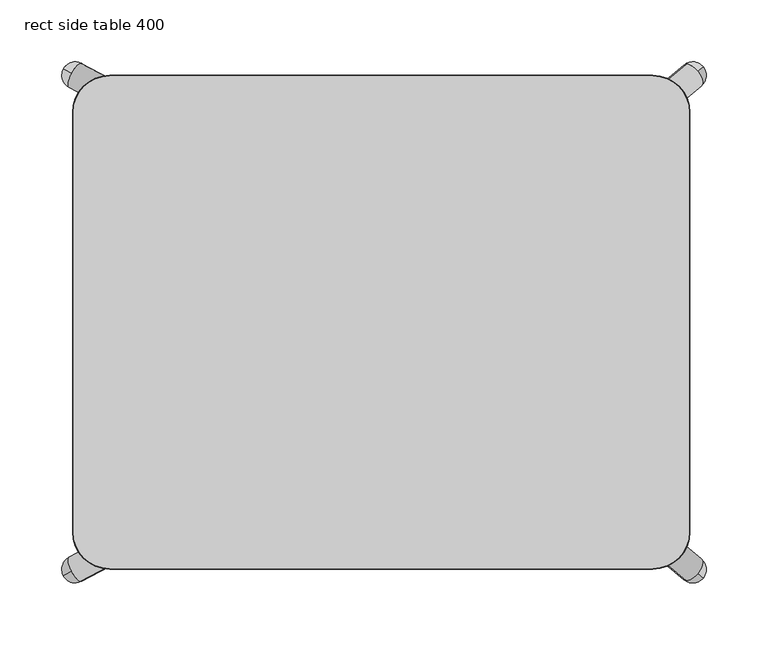
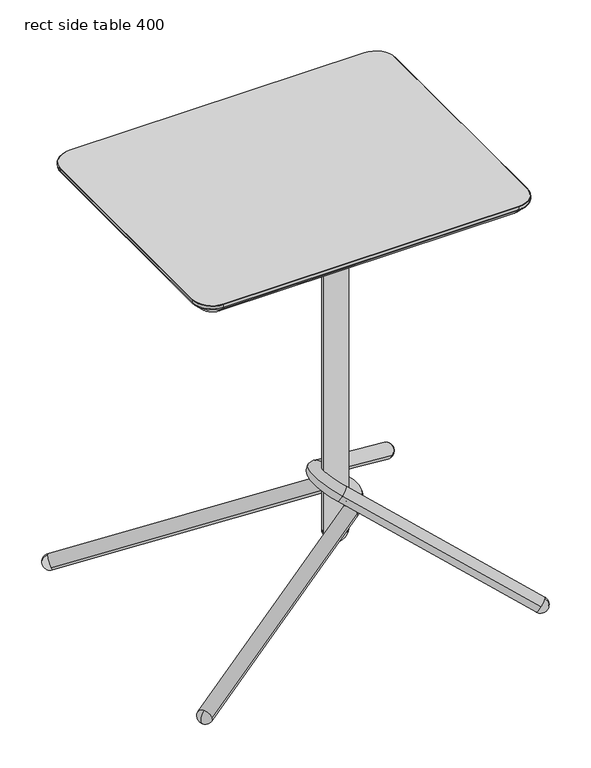
"""IFC4 building model written with IfcOpenShell, lengths in millimetres: furniture geometry, rect side table 400."""

from ifc_helpers import new_model, si_unit, point, frame, origin, place, context, project, spatial, polyline, circle_curve, ellipse_curve, trimmed, source, transform, mapped, element, save
from ifc_brep_helpers import plane_surface, cylinder_surface, revolved_surface, advanced_brep


def rect_side_table_400_2f317015(model_context):
    return source(origin(), model_context, "Body", "AdvancedBrep", [
        advanced_brep(
        [(120.000041, 49.9999974, 631.9999893), (-39.999964, 49.9999974, 631.9999893), (-49.999964, 39.9999974, 631.9999893), (-49.999964, -40.0000034, 631.9999893), (-39.999964, -50.0000034, 631.9999893), (120.000041, -50.0000034, 631.9999893), (130.000041, -40.0000034, 631.9999893), (130.000041, 39.9999974, 631.9999893), (-47.4693331, 40.0000112, 631.9999893), (-32.5306167, 40.0000112, 631.9999893), (-47.4693331, -40.0000112, 631.9999893), (-32.5306167, -40.0000112, 631.9999893), (127.46941, 40.0000112, 631.9999893), (112.5306936, 40.0000112, 631.9999893), (127.46941, -40.0000112, 631.9999893), (112.5306936, -40.0000112, 631.9999893), (47.4693967, 40.0000112, 631.9999893), (32.5306803, 40.0000112, 631.9999893), (47.4693967, -40.0000112, 631.9999893), (32.5306803, -40.0000112, 631.9999893), (120.000041, 49.9999974, 627.0000038), (130.000041, 39.9999974, 627.0000038), (130.000041, -40.0000034, 627.0000038), (120.000041, -50.0000034, 627.0000038), (-39.999964, -50.0000034, 627.0000038), (-49.999964, -40.0000034, 627.0000038), (-49.999964, 39.9999974, 627.0000038), (-39.999964, 49.9999974, 627.0000038), (-47.4693331, 40.0000112, 627.0000038), (-32.5306167, 40.0000112, 627.0000038), (-47.4693331, -40.0000112, 627.0000038), (-32.5306167, -40.0000112, 627.0000038), (127.46941, 40.0000112, 627.0000038), (112.5306936, 40.0000112, 627.0000038), (127.46941, -40.0000112, 627.0000038), (112.5306936, -40.0000112, 627.0000038), (47.4693967, 40.0000112, 627.0000038), (32.5306803, 40.0000112, 627.0000038), (47.4693967, -40.0000112, 627.0000038), (32.5306803, -40.0000112, 627.0000038), (78.7484697, 0.0, 627.0000038), (43.7484682, 0.0, 627.0000038), (78.7484697, 0.0, 76.9999996), (43.7484682, 0.0, 76.9999996), (61.2484689, 0.0, 59.4999989)],
        [
            (0, 1),
            (1, 2, circle_curve(frame((-39.999964, 39.9999974, 631.9999893), z_axis=(0.0, 0.0, 1.0), x_axis=(1.0, 0.0, 0.0)), 10.0)),
            (2, 3),
            (3, 4, circle_curve(frame((-39.999964, -40.0000034, 631.9999893), z_axis=(0.0, 0.0, 1.0), x_axis=(1.0, 0.0, 0.0)), 10.0)),
            (4, 5),
            (5, 6, circle_curve(frame((120.000041, -40.0000034, 631.9999893), z_axis=(0.0, 0.0, 1.0), x_axis=(1.0, 0.0, 0.0)), 10.0)),
            (6, 7),
            (7, 0, circle_curve(frame((120.000041, 39.9999974, 631.9999893), z_axis=(0.0, 0.0, 1.0), x_axis=(1.0, 0.0, 0.0)), 10.0)),
            (8, 9, circle_curve(frame((-39.9999749, 40.0000112, 631.9999893), z_axis=(0.0, 0.0, -1.0), x_axis=(1.0, 0.0, 0.0)), 7.4693582)),
            (9, 8, circle_curve(frame((-39.9999749, 40.0000112, 631.9999893), z_axis=(0.0, 0.0, -1.0), x_axis=(1.0, 0.0, 0.0)), 7.4693582)),
            (10, 11, circle_curve(frame((-39.9999749, -40.0000112, 631.9999893), z_axis=(0.0, 0.0, -1.0), x_axis=(1.0, 0.0, 0.0)), 7.4693582)),
            (11, 10, circle_curve(frame((-39.9999749, -40.0000112, 631.9999893), z_axis=(0.0, 0.0, -1.0), x_axis=(1.0, 0.0, 0.0)), 7.4693582)),
            (12, 13, circle_curve(frame((120.0000518, 40.0000112, 631.9999893), z_axis=(0.0, 0.0, -1.0), x_axis=(-1.0, 0.0, 0.0)), 7.4693582)),
            (13, 12, circle_curve(frame((120.0000518, 40.0000112, 631.9999893), z_axis=(0.0, 0.0, -1.0), x_axis=(-1.0, 0.0, 0.0)), 7.4693582)),
            (14, 15, circle_curve(frame((120.0000518, -40.0000112, 631.9999893), z_axis=(0.0, 0.0, -1.0), x_axis=(-1.0, 0.0, 0.0)), 7.4693582)),
            (15, 14, circle_curve(frame((120.0000518, -40.0000112, 631.9999893), z_axis=(0.0, 0.0, -1.0), x_axis=(-1.0, 0.0, 0.0)), 7.4693582)),
            (16, 17, circle_curve(frame((40.0000385, 40.0000112, 631.9999893), z_axis=(0.0, 0.0, -1.0), x_axis=(-1.0, 0.0, 0.0)), 7.4693582)),
            (17, 16, circle_curve(frame((40.0000385, 40.0000112, 631.9999893), z_axis=(0.0, 0.0, -1.0), x_axis=(-1.0, 0.0, 0.0)), 7.4693582)),
            (18, 19, circle_curve(frame((40.0000385, -40.0000112, 631.9999893), z_axis=(0.0, 0.0, -1.0), x_axis=(-1.0, 0.0, 0.0)), 7.4693582)),
            (19, 18, circle_curve(frame((40.0000385, -40.0000112, 631.9999893), z_axis=(0.0, 0.0, -1.0), x_axis=(-1.0, 0.0, 0.0)), 7.4693582)),
            (20, 21, circle_curve(frame((120.000041, 39.9999974, 627.0000038), z_axis=(0.0, 0.0, -1.0), x_axis=(1.0, 0.0, 0.0)), 10.0)),
            (21, 22),
            (22, 23, circle_curve(frame((120.000041, -40.0000034, 627.0000038), z_axis=(0.0, 0.0, -1.0), x_axis=(1.0, 0.0, 0.0)), 10.0)),
            (23, 24),
            (24, 25, circle_curve(frame((-39.999964, -40.0000034, 627.0000038), z_axis=(0.0, 0.0, -1.0), x_axis=(1.0, 0.0, 0.0)), 10.0)),
            (25, 26),
            (26, 27, circle_curve(frame((-39.999964, 39.9999974, 627.0000038), z_axis=(0.0, 0.0, -1.0), x_axis=(1.0, 0.0, 0.0)), 10.0)),
            (27, 20),
            (28, 29, circle_curve(frame((-39.9999749, 40.0000112, 627.0000038), z_axis=(0.0, 0.0, 1.0), x_axis=(1.0, 0.0, 0.0)), 7.4693582)),
            (29, 28, circle_curve(frame((-39.9999749, 40.0000112, 627.0000038), z_axis=(0.0, 0.0, 1.0), x_axis=(1.0, 0.0, 0.0)), 7.4693582)),
            (30, 31, circle_curve(frame((-39.9999749, -40.0000112, 627.0000038), z_axis=(0.0, 0.0, 1.0), x_axis=(1.0, 0.0, 0.0)), 7.4693582)),
            (31, 30, circle_curve(frame((-39.9999749, -40.0000112, 627.0000038), z_axis=(0.0, 0.0, 1.0), x_axis=(1.0, 0.0, 0.0)), 7.4693582)),
            (32, 33, circle_curve(frame((120.0000518, 40.0000112, 627.0000038), z_axis=(0.0, 0.0, 1.0), x_axis=(-1.0, 0.0, 0.0)), 7.4693582)),
            (33, 32, circle_curve(frame((120.0000518, 40.0000112, 627.0000038), z_axis=(0.0, 0.0, 1.0), x_axis=(-1.0, 0.0, 0.0)), 7.4693582)),
            (34, 35, circle_curve(frame((120.0000518, -40.0000112, 627.0000038), z_axis=(0.0, 0.0, 1.0), x_axis=(-1.0, 0.0, 0.0)), 7.4693582)),
            (35, 34, circle_curve(frame((120.0000518, -40.0000112, 627.0000038), z_axis=(0.0, 0.0, 1.0), x_axis=(-1.0, 0.0, 0.0)), 7.4693582)),
            (36, 37, circle_curve(frame((40.0000385, 40.0000112, 627.0000038), z_axis=(0.0, 0.0, 1.0), x_axis=(-1.0, 0.0, 0.0)), 7.4693582)),
            (37, 36, circle_curve(frame((40.0000385, 40.0000112, 627.0000038), z_axis=(0.0, 0.0, 1.0), x_axis=(-1.0, 0.0, 0.0)), 7.4693582)),
            (38, 39, circle_curve(frame((40.0000385, -40.0000112, 627.0000038), z_axis=(0.0, 0.0, 1.0), x_axis=(-1.0, 0.0, 0.0)), 7.4693582)),
            (39, 38, circle_curve(frame((40.0000385, -40.0000112, 627.0000038), z_axis=(0.0, 0.0, 1.0), x_axis=(-1.0, 0.0, 0.0)), 7.4693582)),
            (40, 41, circle_curve(frame((61.2484689, 0.0, 627.0000038), z_axis=(0.0, 0.0, 1.0), x_axis=(-1.0, 0.0, 0.0)), 17.5000007)),
            (41, 40, circle_curve(frame((61.2484689, 0.0, 627.0000038), z_axis=(0.0, 0.0, 1.0), x_axis=(-1.0, 0.0, 0.0)), 17.5000007)),
            (0, 20),
            (27, 1),
            (26, 2),
            (25, 3),
            (24, 4),
            (23, 5),
            (22, 6),
            (21, 7),
            (8, 28),
            (29, 9),
            (10, 30),
            (31, 11),
            (12, 32),
            (33, 13),
            (14, 34),
            (35, 15),
            (16, 36),
            (37, 17),
            (18, 38),
            (39, 19),
            (42, 43, circle_curve(frame((61.2484689, 0.0, 76.9999996), z_axis=(0.0, 0.0, 1.0), x_axis=(-1.0, 0.0, 0.0)), 17.5000007)),
            (43, 41),
            (40, 42),
            (43, 42, circle_curve(frame((61.2484689, 0.0, 76.9999996), z_axis=(0.0, 0.0, 1.0), x_axis=(-1.0, 0.0, 0.0)), 17.5000007)),
            (42, 44, circle_curve(frame((61.2484689, 0.0, 76.9999996), z_axis=(0.0, 1.0, 0.0), x_axis=(-1.0, 0.0, 0.0)), 17.5000007)),
            (44, 43, circle_curve(frame((61.2484689, 0.0, 76.9999996), z_axis=(0.0, 1.0, 0.0), x_axis=(1.0, 0.0, 0.0)), 17.5000007)),
        ],
        [
            plane_surface(frame((-39.9999628, 49.9999974, 631.9999893), z_axis=(0.0, 0.0, 1.0), x_axis=(-1.0, 0.0, 0.0))),
            plane_surface(frame((-39.9999628, 49.9999974, 627.0000038), z_axis=(0.0, 0.0, -1.0), x_axis=(1.0, 0.0, 0.0))),
            plane_surface(frame((120.000041, 49.9999974, 631.9999893), z_axis=(0.0, 1.0, 0.0), x_axis=(0.0, 0.0, -1.0))),
            cylinder_surface(frame((-39.999964, 39.9999974, 627.0000038), z_axis=(0.0, 0.0, 1.0), x_axis=(1.0, 0.0, 0.0)), 10.0),
            plane_surface(frame((-49.999964, 39.9999974, 631.9999893), z_axis=(-1.0, 0.0, 0.0), x_axis=(0.0, 0.0, -1.0))),
            cylinder_surface(frame((-39.999964, -40.0000034, 627.0000038), z_axis=(0.0, 0.0, 1.0), x_axis=(1.0, 0.0, 0.0)), 10.0),
            plane_surface(frame((-39.999964, -50.0000034, 631.9999893), z_axis=(0.0, -1.0, 0.0), x_axis=(0.0, 0.0, -1.0))),
            cylinder_surface(frame((120.000041, -40.0000034, 627.0000038), z_axis=(0.0, 0.0, 1.0), x_axis=(1.0, 0.0, 0.0)), 10.0),
            plane_surface(frame((130.000041, -40.0000034, 631.9999893), z_axis=(1.0, 0.0, 0.0), x_axis=(0.0, 0.0, -1.0))),
            cylinder_surface(frame((120.000041, 39.9999974, 627.0000038), z_axis=(0.0, 0.0, 1.0), x_axis=(1.0, 0.0, 0.0)), 10.0),
            revolved_surface(polyline([(-32.530616699999996, 40.0000112, 627.0000038), (-32.530616699999996, 40.0000112, 631.9999893)]), (-39.9999749, 40.0000112, 0.0), (0.0, 0.0, -1.0)),
            revolved_surface(polyline([(-32.530616699999996, -40.0000112, 627.0000038), (-32.530616699999996, -40.0000112, 631.9999893)]), (-39.9999749, -40.0000112, 0.0), (0.0, 0.0, -1.0)),
            revolved_surface(polyline([(112.53069359999999, 40.0000112, 627.0000038), (112.53069359999999, 40.0000112, 631.9999893)]), (120.0000518, 40.0000112, 0.0), (0.0, 0.0, -1.0)),
            revolved_surface(polyline([(112.53069359999999, -40.0000112, 627.0000038), (112.53069359999999, -40.0000112, 631.9999893)]), (120.0000518, -40.0000112, 0.0), (0.0, 0.0, -1.0)),
            revolved_surface(polyline([(32.5306803, 40.0000112, 627.0000038), (32.5306803, 40.0000112, 631.9999893)]), (40.0000385, 40.0000112, 0.0), (0.0, 0.0, -1.0)),
            revolved_surface(polyline([(32.5306803, -40.0000112, 627.0000038), (32.5306803, -40.0000112, 631.9999893)]), (40.0000385, -40.0000112, 0.0), (0.0, 0.0, -1.0)),
            cylinder_surface(frame((61.2484689, 0.0, 68.2499992), z_axis=(0.0, 0.0, -1.0), x_axis=(-1.0, 0.0, 0.0)), 17.5000007),
            revolved_surface(trimmed(ellipse_curve(frame((61.2484689, 0.0, 76.9999996), z_axis=(0.0, -1.0, 0.0), x_axis=(1.0, 0.0, 0.0)), 17.5000007, 17.5000007), [point((43.7484682, 0.0, 76.9999996))], [point((61.2484689, 0.0, 59.4999989))], True, "CARTESIAN"), (61.2484689, 0.0, 68.2499992), (0.0, 0.0, -1.0)),
        ],
        [
            (0, [[1, 2, 3, 4, 5, 6, 7, 8], [9, 10], [11, 12], [13, 14], [15, 16], [17, 18], [19, 20]]),
            (1, [[21, 22, 23, 24, 25, 26, 27, 28], [29, 30], [31, 32], [33, 34], [35, 36], [37, 38], [39, 40], [41, 42]]),
            (2, [[-1, 43, -28, 44]]),
            (3, [[-2, -44, -27, 45]]),
            (4, [[-3, -45, -26, 46]]),
            (5, [[-4, -46, -25, 47]]),
            (6, [[-5, -47, -24, 48]]),
            (7, [[-6, -48, -23, 49]]),
            (8, [[-7, -49, -22, 50]]),
            (9, [[-8, -50, -21, -43]]),
            (10, [[-9, 51, -30, 52]]),
            (10, [[-10, -52, -29, -51]]),
            (11, [[-11, 53, -32, 54]]),
            (11, [[-12, -54, -31, -53]]),
            (12, [[-13, 55, -34, 56]]),
            (12, [[-14, -56, -33, -55]]),
            (13, [[-15, 57, -36, 58]]),
            (13, [[-16, -58, -35, -57]]),
            (14, [[-17, 59, -38, 60]]),
            (14, [[-18, -60, -37, -59]]),
            (15, [[-19, 61, -40, 62]]),
            (15, [[-20, -62, -39, -61]]),
            (16, [[63, 64, -41, 65]]),
            (16, [[66, -65, -42, -64]]),
            (17, [[-63, 67, 68]]),
            (17, [[-66, -68, -67]]),
        ],
    ),
        advanced_brep(
        [(58.7468351, 25.9816516, 122.5540056), (67.9302472, 45.69187, 125.8964943), (-243.1827803, 209.8487928, 12.6606128), (-250.7555988, 201.5666496, 21.4602207), (-252.3661924, 190.1385743, 9.3181241), (-244.7933739, 198.4207175, 0.5185162), (58.7468351, -25.9816516, 122.5540056), (67.9302472, -45.69187, 125.8964943), (-252.3661924, -190.1385743, 9.3181241), (-250.7555988, -201.5666496, 21.4602207), (-243.1827803, -209.8487928, 12.6606128), (-244.7933739, -198.4207175, 0.5185162), (-257.0352597, 204.8800751, 7.6187226), (-257.0352597, -204.8800751, 7.6187226)],
        [
            (0, 1, circle_curve(frame((63.3385411, 35.8367608, 124.22525), z_axis=(-0.8418884918336852, 0.4442174127144383, -0.3064223515987259), x_axis=(0.41742782475236617, 0.8959190199126763, 0.15193130316434977)), 11.0)),
            (1, 2),
            (2, 3, circle_curve(frame((-247.7744863, 199.9936836, 10.9893685), z_axis=(0.8418884918336852, -0.4442174127144383, 0.3064223515987259), x_axis=(0.41742782475236617, 0.8959190199126763, 0.15193130316434977)), 11.0)),
            (3, 4, circle_curve(frame((-247.7744863, 199.9936836, 10.9893685), z_axis=(0.8418884918336852, -0.4442174127144383, 0.3064223515987259), x_axis=(0.41742782475236617, 0.8959190199126763, 0.15193130316434977)), 11.0)),
            (4, 0),
            (1, 0, circle_curve(frame((63.3385411, 35.8367608, 124.22525), z_axis=(-0.8418884918336852, 0.4442174127144383, -0.3064223515987259), x_axis=(0.41742782475236617, 0.8959190199126763, 0.15193130316434977)), 11.0)),
            (4, 5, circle_curve(frame((-247.7744863, 199.9936836, 10.9893685), z_axis=(0.8418884918336852, -0.4442174127144383, 0.3064223515987259), x_axis=(0.41742782475236617, 0.8959190199126763, 0.15193130316434977)), 11.0)),
            (5, 2, circle_curve(frame((-247.7744863, 199.9936836, 10.9893685), z_axis=(0.8418884918336852, -0.4442174127144383, 0.3064223515987259), x_axis=(0.41742782475236617, 0.8959190199126763, 0.15193130316434977)), 11.0)),
            (0, 6, circle_curve(frame((46.6414281, 0.0, 118.1479978), z_axis=(0.3420201433256684, 0.0, -0.9396926207859085), x_axis=(0.4174278247523651, 0.8959190199126768, 0.1519313031643494)), 29.0)),
            (6, 7, circle_curve(frame((63.3385411, -35.8367608, 124.22525), z_axis=(0.8418884918336889, 0.4442174127144305, 0.3064223515987277), x_axis=(0.41742782475235873, -0.8959190199126802, 0.15193130316434714)), 11.0)),
            (7, 1, circle_curve(frame((46.6414281, 0.0, 118.1479978), z_axis=(-0.3420201433256684, 0.0, 0.9396926207859085), x_axis=(0.4174278247523651, 0.8959190199126768, 0.1519313031643494)), 51.0)),
            (7, 6, circle_curve(frame((63.3385411, -35.8367608, 124.22525), z_axis=(0.841888491833687, 0.44421741271443393, 0.30642235159872705), x_axis=(0.417427824752362, -0.8959190199126783, 0.1519313031643483)), 11.0)),
            (6, 8),
            (8, 9, circle_curve(frame((-247.7744863, -199.9936836, 10.9893685), z_axis=(0.8418884918336853, 0.44421741271443815, 0.3064223515987258), x_axis=(0.41742782475236606, -0.8959190199126764, 0.15193130316434972)), 11.0)),
            (9, 10, circle_curve(frame((-247.7744863, -199.9936836, 10.9893685), z_axis=(0.8418884918336853, 0.44421741271443815, 0.3064223515987258), x_axis=(0.41742782475236606, -0.8959190199126764, 0.15193130316434972)), 11.0)),
            (10, 7),
            (10, 11, circle_curve(frame((-247.7744863, -199.9936836, 10.9893685), z_axis=(0.8418884918336853, 0.44421741271443815, 0.3064223515987258), x_axis=(0.41742782475236606, -0.8959190199126764, 0.15193130316434972)), 11.0)),
            (11, 8, circle_curve(frame((-247.7744863, -199.9936836, 10.9893685), z_axis=(0.8418884918336853, 0.44421741271443815, 0.3064223515987258), x_axis=(0.41742782475236606, -0.8959190199126764, 0.15193130316434972)), 11.0)),
            (12, 5, circle_curve(frame((-247.7744863, 199.9936836, 10.9893685), z_axis=(-0.4666660776258468, -0.8844335882322126, 0.0), x_axis=(0.8418884918336704, -0.44421741271455667, 0.3064223515985954)), 11.0)),
            (3, 12, circle_curve(frame((-247.7744863, 199.9936836, 10.9893685), z_axis=(-0.46666607762565254, -0.8844335882323152, 0.0), x_axis=(0.8418884918337015, -0.4442174127143134, 0.3064223515988623)), 11.0)),
            (11, 13, circle_curve(frame((-247.7744863, -199.9936836, 10.9893685), z_axis=(-0.4666660776258468, 0.8844335882322126, 0.0), x_axis=(0.8418884918336704, 0.44421741271455667, 0.3064223515985954)), 11.0)),
            (13, 9, circle_curve(frame((-247.7744863, -199.9936836, 10.9893685), z_axis=(-0.46666607762565254, 0.8844335882323152, 0.0), x_axis=(0.8418884918337015, 0.4442174127143134, 0.3064223515988623)), 11.0)),
        ],
        [
            cylinder_surface(frame((-277.9675281, 215.9248609, 0.0), z_axis=(-0.8418884918336854, 0.44421741271443843, -0.30642235159872594), x_axis=(0.41742782475236617, 0.8959190199126763, 0.15193130316434977)), 11.0),
            revolved_surface(trimmed(ellipse_curve(frame((63.3385411, 35.8367608, 124.22525), z_axis=(-0.8418884918336861, 0.444217412714437, -0.3064223515987256), x_axis=(0.41742782475236484, 0.8959190199126769, 0.15193130316434933)), 11.0, 11.0), [point((58.7468351, 25.9816516, 122.5540056))], [point((67.9302472, 45.69187, 125.8964943))], True, "CARTESIAN"), (46.6414281, 0.0, 118.1479978), (0.3420201433256684, 0.0, -0.9396926207859085)),
            revolved_surface(trimmed(ellipse_curve(frame((63.3385411, 35.8367608, 124.22525), z_axis=(-0.8418884918336861, 0.444217412714437, -0.3064223515987256), x_axis=(0.41742782475236484, 0.8959190199126769, 0.15193130316434933)), 11.0, 11.0), [point((67.9302472, 45.69187, 125.8964943))], [point((58.7468351, 25.9816516, 122.5540056))], True, "CARTESIAN"), (46.6414281, 0.0, 118.1479978), (0.3420201433256684, 0.0, -0.9396926207859085)),
            cylinder_surface(frame((63.3385411, -35.8367608, 124.22525), z_axis=(0.8418884918336855, 0.44421741271443826, 0.30642235159872583), x_axis=(0.41742782475236606, -0.8959190199126764, 0.15193130316434972)), 11.0),
            revolved_surface(trimmed(ellipse_curve(frame((-247.7744863, 199.9936836, 10.9893685), z_axis=(0.46666607762565254, 0.8844335882323152, 0.0), x_axis=(0.8418884918337015, -0.4442174127143134, 0.3064223515988623)), 11.0, 11.0), [point((-257.0352597, 204.8800751, 7.6187226))], [point((-250.7555988, 201.5666496, 21.4602207))], True, "CARTESIAN"), (-251.664601, 202.0462792, 9.5734825), (0.841888491833686, -0.44421741271443504, 0.3064223515987288)),
            revolved_surface(trimmed(ellipse_curve(frame((-247.7744863, 199.9936836, 10.9893685), z_axis=(0.4666660776256499, 0.8844335882323165, 0.0), x_axis=(0.8418884918337031, -0.4442174127143106, 0.3064223515988623)), 11.0, 11.0), [point((-257.0352597, 204.8800751, 7.6187226))], [point((-250.7555988, 201.5666496, 21.4602207))], True, "CARTESIAN"), (-251.664601, 202.0462792, 9.5734825), (0.841888491833686, -0.44421741271443504, 0.3064223515987288)),
            revolved_surface(trimmed(ellipse_curve(frame((-247.7744863, -199.9936836, 10.9893685), z_axis=(0.46666607762565254, -0.8844335882323152, 0.0), x_axis=(0.8418884918337015, 0.4442174127143134, 0.3064223515988623)), 11.0, 11.0), [point((-250.7555988, -201.5666496, 21.4602207))], [point((-257.0352597, -204.8800751, 7.6187226))], True, "CARTESIAN"), (-251.664601, -202.0462792, 9.5734825), (-0.841888491833686, -0.44421741271443504, -0.3064223515987288)),
            revolved_surface(trimmed(ellipse_curve(frame((-247.7744863, -199.9936836, 10.9893685), z_axis=(0.4666660776256499, -0.8844335882323165, 0.0), x_axis=(0.8418884918337031, 0.4442174127143106, 0.3064223515988623)), 11.0, 11.0), [point((-250.7555988, -201.5666496, 21.4602207))], [point((-257.0352597, -204.8800751, 7.6187226))], True, "CARTESIAN"), (-251.664601, -202.0462792, 9.5734825), (-0.841888491833686, -0.44421741271443504, -0.3064223515987288)),
        ],
        [
            (0, [[1, 2, 3, 4, 5]]),
            (0, [[6, -5, 7, 8, -2]]),
            (1, [[-1, 9, 10, 11]]),
            (2, [[-6, -11, 12, -9]]),
            (3, [[-10, 13, 14, 15, 16]]),
            (3, [[-12, -16, 17, 18, -13]]),
            (4, [[19, -7, -4, 20]]),
            (5, [[-19, -20, -3, -8]]),
            (6, [[21, 22, -14, -18]]),
            (7, [[-21, -17, -15, -22]]),
        ],
    ),
        advanced_brep(
        [(57.5144405, 23.9910848, 150.6373501), (47.4708105, 42.1912168, 157.8401753), (247.2031924, 209.1000136, 14.6013824), (248.155534, 196.5992426, 1.3628234), (257.2468224, 190.8998816, 7.3985572), (256.2944809, 203.4006527, 20.6371162), (57.5144414, -23.9910822, 150.6373494), (47.4708121, -42.1912148, 157.8401741), (257.2468303, -190.8998679, 7.3985515), (248.1555419, -196.5992292, 1.3628176), (247.203201, -209.1000005, 14.6013763), (256.2944894, -203.4006392, 20.6371102), (259.6200001, -206.1796424, 5.6966243), (259.6199917, 206.1796563, 5.6966303)],
        [
            (0, 1, circle_curve(frame((52.4926255, 33.0911508, 154.2387627), z_axis=(0.6722712955826541, 0.5617916936357265, -0.4821217668779558), x_axis=(-0.45652863681473854, 0.8272787274926765, 0.3274011466170734)), 11.0)),
            (1, 2),
            (2, 3, circle_curve(frame((252.2250074, 199.9999476, 10.9999698), z_axis=(-0.6722712955826541, -0.5617916936357265, 0.4821217668779558), x_axis=(-0.45652863681473854, 0.8272787274926765, 0.3274011466170734)), 11.0)),
            (3, 4, circle_curve(frame((252.2250074, 199.9999476, 10.9999698), z_axis=(-0.6722712955826541, -0.5617916936357265, 0.4821217668779558), x_axis=(-0.45652863681473854, 0.8272787274926765, 0.3274011466170734)), 11.0)),
            (4, 0),
            (1, 0, circle_curve(frame((52.4926255, 33.0911508, 154.2387627), z_axis=(0.6722712955826541, 0.5617916936357265, -0.4821217668779558), x_axis=(-0.45652863681473854, 0.8272787274926765, 0.3274011466170734)), 11.0)),
            (4, 5, circle_curve(frame((252.2250074, 199.9999476, 10.9999698), z_axis=(-0.6722712955826541, -0.5617916936357265, 0.4821217668779558), x_axis=(-0.45652863681473854, 0.8272787274926765, 0.3274011466170734)), 11.0)),
            (5, 2, circle_curve(frame((252.2250074, 199.9999476, 10.9999698), z_axis=(-0.6722712955826541, -0.5617916936357265, 0.4821217668779558), x_axis=(-0.45652863681473854, 0.8272787274926765, 0.3274011466170734)), 11.0)),
            (0, 6, circle_curve(frame((70.753771, 1.7e-06, 141.1427168), z_axis=(0.5827803264556007, 0.0, 0.8126297380088324), x_axis=(-0.45652863681474215, 0.8272787274926735, 0.32740114661707603)), 29.0)),
            (6, 7, circle_curve(frame((52.4926268, -33.0911485, 154.2387618), z_axis=(-0.6722713171214564, 0.5617916546051102, 0.48212178232458525), x_axis=(-0.4565286050972992, -0.8272787539977398, 0.3274011238707981)), 11.0)),
            (7, 1, circle_curve(frame((70.753771, 1.7e-06, 141.1427168), z_axis=(-0.5827803264556007, 0.0, -0.8126297380088324), x_axis=(-0.45652863681474215, 0.8272787274926735, 0.32740114661707603)), 51.0)),
            (7, 6, circle_curve(frame((52.4926268, -33.0911485, 154.2387618), z_axis=(-0.6722713171214549, 0.5617916546051127, 0.48212178232458425), x_axis=(-0.4565286050973013, -0.8272787539977379, 0.32740112387079956)), 11.0)),
            (6, 8),
            (8, 9, circle_curve(frame((252.2250156, -199.9999342, 10.9999639), z_axis=(-0.6722713171214557, 0.5617916546051115, 0.4821217823245848), x_axis=(-0.4565286050973002, -0.8272787539977388, 0.32740112387079884)), 11.0)),
            (9, 10, circle_curve(frame((252.2250156, -199.9999342, 10.9999639), z_axis=(-0.6722713171214557, 0.5617916546051115, 0.4821217823245848), x_axis=(-0.4565286050973002, -0.8272787539977388, 0.32740112387079884)), 11.0)),
            (10, 7),
            (10, 11, circle_curve(frame((252.2250156, -199.9999342, 10.9999639), z_axis=(-0.6722713171214557, 0.5617916546051115, 0.4821217823245848), x_axis=(-0.4565286050973002, -0.8272787539977388, 0.32740112387079884)), 11.0)),
            (11, 8, circle_curve(frame((252.2250156, -199.9999342, 10.9999639), z_axis=(-0.6722713171214557, 0.5617916546051115, 0.4821217823245848), x_axis=(-0.4565286050973002, -0.8272787539977388, 0.32740112387079884)), 11.0)),
            (9, 12, circle_curve(frame((252.2250156, -199.9999342, 10.9999639), z_axis=(-0.6412383916308737, -0.7673417264157153, 0.0), x_axis=(0.6722713171215319, -0.5617916546050172, -0.48212178232458835)), 11.0)),
            (12, 11, circle_curve(frame((252.2250156, -199.9999342, 10.9999639), z_axis=(-0.6412383916310423, -0.7673417264155744, 0.0), x_axis=(0.6722713171213658, -0.5617916546052031, -0.4821217823246031)), 11.0)),
            (13, 3, circle_curve(frame((252.2250074, 199.9999476, 10.9999698), z_axis=(-0.6412384299595565, 0.7673416943858864, 0.0), x_axis=(0.3699521735068246, 0.30915503827734025, 0.8761041899370832)), 11.0)),
            (5, 13, circle_curve(frame((252.2250074, 199.9999476, 10.9999698), z_axis=(-0.6412384299596539, 0.767341694385805, 0.0), x_axis=(-0.36995209348604097, -0.30915497140700227, -0.8761042473242733)), 11.0)),
        ],
        [
            cylinder_surface(frame((267.5633813, 212.8176466, 0.0), z_axis=(0.6722712955826541, 0.5617916936357265, -0.4821217668779558), x_axis=(-0.45652863681473854, 0.8272787274926765, 0.3274011466170734)), 11.0),
            revolved_surface(trimmed(ellipse_curve(frame((52.4926255, 33.0911508, 154.2387627), z_axis=(0.6722712955826515, 0.5617916936357309, -0.4821217668779542), x_axis=(-0.4565286368147422, 0.8272787274926735, 0.3274011466170759)), 11.0, 11.0), [point((57.5144405, 23.9910848, 150.6373501))], [point((47.4708105, 42.1912168, 157.8401753))], True, "CARTESIAN"), (70.753771, 1.7e-06, 141.1427168), (0.5827803264556007, 0.0, 0.8126297380088324)),
            revolved_surface(trimmed(ellipse_curve(frame((52.4926255, 33.0911508, 154.2387627), z_axis=(0.6722712955826515, 0.5617916936357309, -0.4821217668779542), x_axis=(-0.4565286368147422, 0.8272787274926735, 0.3274011466170759)), 11.0, 11.0), [point((47.4708105, 42.1912168, 157.8401753))], [point((57.5144405, 23.9910848, 150.6373501))], True, "CARTESIAN"), (70.753771, 1.7e-06, 141.1427168), (0.5827803264556007, 0.0, 0.8126297380088324)),
            cylinder_surface(frame((52.4926268, -33.0911485, 154.2387618), z_axis=(-0.6722713171214557, 0.5617916546051115, 0.4821217823245848), x_axis=(-0.4565286050973002, -0.8272787539977388, 0.32740112387079884)), 11.0),
            revolved_surface(trimmed(ellipse_curve(frame((252.2250156, -199.9999342, 10.9999639), z_axis=(0.6412383916310423, 0.7673417264155744, 0.0), x_axis=(0.6722713171213658, -0.5617916546052031, -0.4821217823246031)), 11.0, 11.0), [point((256.2944894, -203.4006392, 20.6371102))], [point((259.6200001, -206.1796424, 5.6966243))], True, "CARTESIAN"), (265.0520868, -210.7190313, 1.8009838), (0.6722713171214488, -0.5617916546051102, -0.48212178232459574)),
            revolved_surface(trimmed(ellipse_curve(frame((252.2250156, -199.9999342, 10.9999639), z_axis=(0.6412383916310447, 0.7673417264155725, 0.0), x_axis=(0.6722713171213637, -0.5617916546052057, -0.4821217823246031)), 11.0, 11.0), [point((256.2944894, -203.4006392, 20.6371102))], [point((259.6200001, -206.1796424, 5.6966243))], True, "CARTESIAN"), (265.0520868, -210.7190313, 1.8009838), (0.6722713171214488, -0.5617916546051102, -0.48212178232459574)),
            revolved_surface(trimmed(ellipse_curve(frame((252.2250074, 199.9999476, 10.9999698), z_axis=(0.6412384299596539, -0.767341694385805, 0.0), x_axis=(-0.36995209348604097, -0.30915497140700227, -0.8761042473242733)), 11.0, 11.0), [point((259.6199917, 206.1796563, 5.6966303))], [point((256.2944809, 203.4006527, 20.6371162))], True, "CARTESIAN"), (267.5633813, 212.8176466, 0.0), (-0.6722712955826509, -0.5617916936357265, 0.48212176687796016)),
            revolved_surface(trimmed(ellipse_curve(frame((252.2250074, 199.9999476, 10.9999698), z_axis=(0.6412384299596552, -0.7673416943858039, 0.0), x_axis=(-0.36995209348604097, -0.30915497140700227, -0.8761042473242733)), 11.0, 11.0), [point((259.6199917, 206.1796563, 5.6966303))], [point((256.2944809, 203.4006527, 20.6371162))], True, "CARTESIAN"), (267.5633813, 212.8176466, 0.0), (-0.6722712955826509, -0.5617916936357265, 0.48212176687796016)),
        ],
        [
            (0, [[1, 2, 3, 4, 5]]),
            (0, [[6, -5, 7, 8, -2]]),
            (1, [[-1, 9, 10, 11]]),
            (2, [[-6, -11, 12, -9]]),
            (3, [[-10, 13, 14, 15, 16]]),
            (3, [[-12, -16, 17, 18, -13]]),
            (4, [[19, 20, -17, -15]]),
            (5, [[-19, -14, -18, -20]]),
            (6, [[21, -3, -8, 22]]),
            (7, [[-21, -22, -7, -4]]),
        ],
    ),
        advanced_brep(
        [(-220.0, 199.4417767, 650.0), (-249.4417767, 170.0, 650.0), (-249.4417767, -170.0, 650.0), (-220.0, -199.4417767, 650.0), (220.0, -199.4417767, 650.0), (249.4417767, -170.0, 650.0), (249.4417767, 170.0, 650.0), (220.0, 199.4417767, 650.0), (-237.9999573, 170.0, 631.9999893), (-220.0, 187.9999573, 631.9999893), (220.0, 187.9999573, 631.9999893), (237.9999573, 170.0, 631.9999893), (237.9999573, -170.0, 631.9999893), (220.0, -187.9999573, 631.9999893), (-220.0, -187.9999573, 631.9999893), (-237.9999573, -170.0, 631.9999893), (-250.0, 170.0, 649.4417767), (-220.0, 200.0, 649.4417767), (-249.3493468, 170.0, 643.3493788), (-220.0, 199.3493468, 643.3493788), (-250.0, -170.0, 649.4417767), (-249.3493468, -170.0, 643.3493788), (-220.0, -200.0, 649.4417767), (-220.0, -199.3493468, 643.3493788), (220.0, -200.0, 649.4417767), (220.0, -199.3493468, 643.3493788), (250.0, -170.0, 649.4417767), (249.3493468, -170.0, 643.3493788), (250.0, 170.0, 649.4417767), (249.3493468, 170.0, 643.3493788), (220.0, 200.0, 649.4417767), (220.0, 199.3493468, 643.3493788), (-250.0, 170.0, 644.9201946), (-220.0, 200.0, 644.9201946), (-250.0, -170.0, 644.9201946), (-220.0, -200.0, 644.9201946), (220.0, -200.0, 644.9201946), (250.0, -170.0, 644.9201946), (250.0, 170.0, 644.9201946), (220.0, 200.0, 644.9201946)],
        [
            (0, 1, circle_curve(frame((-220.0, 170.0, 650.0), z_axis=(0.0, 0.0, 1.0), x_axis=(0.0, 1.0, 0.0)), 29.4417767)),
            (1, 2),
            (2, 3, circle_curve(frame((-220.0, -170.0, 650.0), z_axis=(0.0, 0.0, 1.0), x_axis=(-1.0, 0.0, 0.0)), 29.4417767)),
            (3, 4),
            (4, 5, circle_curve(frame((220.0, -170.0, 650.0), z_axis=(0.0, 0.0, 1.0), x_axis=(0.0, -1.0, 0.0)), 29.4417767)),
            (5, 6),
            (6, 7, circle_curve(frame((220.0, 170.0, 650.0), z_axis=(0.0, 0.0, 1.0), x_axis=(1.0, 0.0, 0.0)), 29.4417767)),
            (7, 0),
            (8, 9, circle_curve(frame((-220.0, 170.0, 631.9999893), z_axis=(0.0, 0.0, -1.0), x_axis=(0.0, 1.0, 0.0)), 17.9999573)),
            (9, 10),
            (10, 11, circle_curve(frame((220.0, 170.0, 631.9999893), z_axis=(0.0, 0.0, -1.0), x_axis=(1.0, 0.0, 0.0)), 17.9999573)),
            (11, 12),
            (12, 13, circle_curve(frame((220.0, -170.0, 631.9999893), z_axis=(0.0, 0.0, -1.0), x_axis=(0.0, -1.0, 0.0)), 17.9999573)),
            (13, 14),
            (14, 15, circle_curve(frame((-220.0, -170.0, 631.9999893), z_axis=(0.0, 0.0, -1.0), x_axis=(-1.0, 0.0, 0.0)), 17.9999573)),
            (15, 8),
            (16, 1),
            (0, 17),
            (17, 16, circle_curve(frame((-220.0, 170.0, 649.4417767), z_axis=(0.0, 0.0, 1.0), x_axis=(0.0, 1.0, 0.0)), 30.0)),
            (8, 18),
            (18, 19, circle_curve(frame((-220.0, 170.0, 643.3493788), z_axis=(0.0, 0.0, -1.0), x_axis=(0.0, 1.0, 0.0)), 29.3493468)),
            (19, 9),
            (16, 20),
            (20, 2),
            (15, 21),
            (21, 18),
            (20, 22, circle_curve(frame((-220.0, -170.0, 649.4417767), z_axis=(0.0, 0.0, 1.0), x_axis=(-1.0, 0.0, 0.0)), 30.0)),
            (22, 3),
            (14, 23),
            (23, 21, circle_curve(frame((-220.0, -170.0, 643.3493788), z_axis=(0.0, 0.0, -1.0), x_axis=(-1.0, 0.0, 0.0)), 29.3493468)),
            (22, 24),
            (24, 4),
            (13, 25),
            (25, 23),
            (24, 26, circle_curve(frame((220.0, -170.0, 649.4417767), z_axis=(0.0, 0.0, 1.0), x_axis=(0.0, -1.0, 0.0)), 30.0)),
            (26, 5),
            (12, 27),
            (27, 25, circle_curve(frame((220.0, -170.0, 643.3493788), z_axis=(0.0, 0.0, -1.0), x_axis=(0.0, -1.0, 0.0)), 29.3493468)),
            (26, 28),
            (28, 6),
            (11, 29),
            (29, 27),
            (28, 30, circle_curve(frame((220.0, 170.0, 649.4417767), z_axis=(0.0, 0.0, 1.0), x_axis=(1.0, 0.0, 0.0)), 30.0)),
            (30, 7),
            (10, 31),
            (31, 29, circle_curve(frame((220.0, 170.0, 643.3493788), z_axis=(0.0, 0.0, -1.0), x_axis=(1.0, 0.0, 0.0)), 29.3493468)),
            (30, 17),
            (19, 31),
            (18, 32, circle_curve(frame((-247.778531, 170.0, 644.9201946), z_axis=(0.0, 1.0, 0.0), x_axis=(1.0, 0.0, 0.0)), 2.221469)),
            (32, 33, circle_curve(frame((-220.0, 170.0, 644.9201946), z_axis=(0.0, 0.0, -1.0), x_axis=(0.0, 1.0, 0.0)), 30.0)),
            (33, 19, circle_curve(frame((-220.0, 197.778531, 644.9201946), z_axis=(-1.0, 0.0, 0.0), x_axis=(0.0, -1.0, 0.0)), 2.221469)),
            (21, 34, circle_curve(frame((-247.778531, -170.0, 644.9201946), z_axis=(0.0, 1.0, 0.0), x_axis=(1.0, 0.0, 0.0)), 2.221469)),
            (34, 32),
            (23, 35, circle_curve(frame((-220.0, -197.778531, 644.9201946), z_axis=(-1.0, 0.0, 0.0), x_axis=(0.0, 1.0, 0.0)), 2.221469)),
            (35, 34, circle_curve(frame((-220.0, -170.0, 644.9201946), z_axis=(0.0, 0.0, -1.0), x_axis=(-1.0, 0.0, 0.0)), 30.0)),
            (25, 36, circle_curve(frame((220.0, -197.778531, 644.9201946), z_axis=(-1.0, 0.0, 0.0), x_axis=(0.0, 1.0, 0.0)), 2.221469)),
            (36, 35),
            (27, 37, circle_curve(frame((247.778531, -170.0, 644.9201946), z_axis=(0.0, -1.0, 0.0), x_axis=(-1.0, 0.0, 0.0)), 2.221469)),
            (37, 36, circle_curve(frame((220.0, -170.0, 644.9201946), z_axis=(0.0, 0.0, -1.0), x_axis=(0.0, -1.0, 0.0)), 30.0)),
            (29, 38, circle_curve(frame((247.778531, 170.0, 644.9201946), z_axis=(0.0, -1.0, 0.0), x_axis=(-1.0, 0.0, 0.0)), 2.221469)),
            (38, 37),
            (31, 39, circle_curve(frame((220.0, 197.778531, 644.9201946), z_axis=(1.0, 0.0, 0.0), x_axis=(0.0, -1.0, 0.0)), 2.221469)),
            (39, 38, circle_curve(frame((220.0, 170.0, 644.9201946), z_axis=(0.0, 0.0, -1.0), x_axis=(1.0, 0.0, 0.0)), 30.0)),
            (33, 39),
            (22, 35),
            (36, 24),
            (37, 26),
            (38, 28),
            (39, 30),
            (33, 17),
            (32, 16),
            (34, 20),
        ],
        [
            plane_surface(frame((2000.0, -200.0, 650.0), z_axis=(0.0, 0.0, 1.0), x_axis=(1.0, 0.0, 0.0))),
            plane_surface(frame((2000.0, -200.0, 631.9999893), z_axis=(0.0, 0.0, -1.0), x_axis=(-1.0, 0.0, 0.0))),
            revolved_surface(polyline([(-220.0, 200.0, 649.4417767), (-220.0, 199.4417767, 650.0)]), (-220.0, 170.0, 0.0), (0.0, 0.0, 1.0)),
            revolved_surface(polyline([(-220.0, 187.9999573, 631.9999893), (-220.0, 199.3493468, 643.3493788)]), (-220.0, 170.0, 0.0), (0.0, 0.0, 1.0)),
            plane_surface(frame((-249.4417767, 170.0, 650.0), z_axis=(-0.7071067811865476, 0.0, 0.7071067811865476), x_axis=(0.0, -1.0, 0.0))),
            plane_surface(frame((-249.3493468, 170.0, 643.3493788), z_axis=(-0.7071067811865486, 0.0, -0.7071067811865466), x_axis=(0.0, -1.0, 0.0))),
            revolved_surface(polyline([(-250.0, -170.0, 649.4417767), (-249.4417767, -170.0, 650.0)]), (-220.0, -170.0, 0.0), (0.0, 0.0, 1.0)),
            revolved_surface(polyline([(-237.9999573, -170.0, 631.9999893), (-249.3493468, -170.0, 643.3493788)]), (-220.0, -170.0, 0.0), (0.0, 0.0, 1.0)),
            plane_surface(frame((-220.0, -199.4417767, 650.0), z_axis=(0.0, -0.7071067811865476, 0.7071067811865476), x_axis=(1.0, 0.0, 0.0))),
            plane_surface(frame((-220.0, -199.3493468, 643.3493788), z_axis=(0.0, -0.7071067811865486, -0.7071067811865466), x_axis=(1.0, 0.0, 0.0))),
            revolved_surface(polyline([(220.0, -200.0, 649.4417767), (220.0, -199.4417767, 650.0)]), (220.0, -170.0, 0.0), (0.0, 0.0, 1.0)),
            revolved_surface(polyline([(220.0, -187.9999573, 631.9999893), (220.0, -199.3493468, 643.3493788)]), (220.0, -170.0, 0.0), (0.0, 0.0, 1.0)),
            plane_surface(frame((249.4417767, -170.0, 650.0), z_axis=(0.7071067811865476, 0.0, 0.7071067811865476), x_axis=(0.0, 1.0, 0.0))),
            plane_surface(frame((249.3493468, -170.0, 643.3493788), z_axis=(0.7071067811865486, 0.0, -0.7071067811865466), x_axis=(0.0, 1.0, 0.0))),
            revolved_surface(polyline([(250.0, 170.0, 649.4417767), (249.4417767, 170.0, 650.0)]), (220.0, 170.0, 0.0), (0.0, 0.0, 1.0)),
            revolved_surface(polyline([(237.9999573, 170.0, 631.9999893), (249.3493468, 170.0, 643.3493788)]), (220.0, 170.0, 0.0), (0.0, 0.0, 1.0)),
            plane_surface(frame((220.0, 199.4417767, 650.0), z_axis=(0.0, 0.7071067811865476, 0.7071067811865476), x_axis=(-1.0, 0.0, 0.0))),
            plane_surface(frame((220.0, 199.3493468, 643.3493788), z_axis=(0.0, 0.7071067811865486, -0.7071067811865466), x_axis=(-1.0, 0.0, 0.0))),
            revolved_surface(trimmed(ellipse_curve(frame((-220.0, 197.778531, 644.9201946), z_axis=(1.0, 0.0, 0.0), x_axis=(0.0, -1.0, 0.0)), 2.221469, 2.221469), [point((-220.0, 199.3493468, 643.3493788))], [point((-220.0, 200.0, 644.9201946))], True, "CARTESIAN"), (-220.0, 170.0, 0.0), (0.0, 0.0, 1.0)),
            cylinder_surface(frame((-247.778531, 170.0, 644.9201946), z_axis=(0.0, -1.0, 0.0), x_axis=(1.0, 0.0, 0.0)), 2.221469),
            revolved_surface(trimmed(ellipse_curve(frame((-247.778531, -170.0, 644.9201946), z_axis=(0.0, 1.0, 0.0), x_axis=(1.0, 0.0, 0.0)), 2.221469, 2.221469), [point((-249.3493468, -170.0, 643.3493788))], [point((-250.0, -170.0, 644.9201946))], True, "CARTESIAN"), (-220.0, -170.0, 0.0), (0.0, 0.0, 1.0)),
            cylinder_surface(frame((-220.0, -197.778531, 644.9201946), z_axis=(1.0, 0.0, 0.0), x_axis=(0.0, 1.0, 0.0)), 2.221469),
            revolved_surface(trimmed(ellipse_curve(frame((220.0, -197.778531, 644.9201946), z_axis=(-1.0, 0.0, 0.0), x_axis=(0.0, 1.0, 0.0)), 2.221469, 2.221469), [point((220.0, -199.3493468, 643.3493788))], [point((220.0, -200.0, 644.9201946))], True, "CARTESIAN"), (220.0, -170.0, 0.0), (0.0, 0.0, 1.0)),
            cylinder_surface(frame((247.778531, -170.0, 644.9201946), z_axis=(0.0, 1.0, 0.0), x_axis=(-1.0, 0.0, 0.0)), 2.221469),
            revolved_surface(trimmed(ellipse_curve(frame((247.778531, 170.0, 644.9201946), z_axis=(0.0, -1.0, 0.0), x_axis=(-1.0, 0.0, 0.0)), 2.221469, 2.221469), [point((249.3493468, 170.0, 643.3493788))], [point((250.0, 170.0, 644.9201946))], True, "CARTESIAN"), (220.0, 170.0, 0.0), (0.0, 0.0, 1.0)),
            cylinder_surface(frame((220.0, 197.778531, 644.9201946), z_axis=(-1.0, 0.0, 0.0), x_axis=(0.0, -1.0, 0.0)), 2.221469),
            plane_surface(frame((-220.0, -200.0, 650.0), z_axis=(0.0, -1.0, 0.0), x_axis=(0.0, 0.0, -1.0))),
            cylinder_surface(frame((220.0, -170.0, 631.9999893), z_axis=(0.0, 0.0, 1.0), x_axis=(1.0, 0.0, 0.0)), 30.0),
            plane_surface(frame((250.0, -170.0, 650.0), z_axis=(1.0, 0.0, 0.0), x_axis=(0.0, 0.0, -1.0))),
            cylinder_surface(frame((220.0, 170.0, 631.9999893), z_axis=(0.0, 0.0, 1.0), x_axis=(1.0, 0.0, 0.0)), 30.0),
            plane_surface(frame((220.0, 200.0, 650.0), z_axis=(0.0, 1.0, 0.0), x_axis=(0.0, 0.0, -1.0))),
            cylinder_surface(frame((-220.0, 170.0, 631.9999893), z_axis=(0.0, 0.0, 1.0), x_axis=(1.0, 0.0, 0.0)), 30.0),
            plane_surface(frame((-250.0, 170.0, 650.0), z_axis=(-1.0, 0.0, 0.0), x_axis=(0.0, 0.0, -1.0))),
            cylinder_surface(frame((-220.0, -170.0, 631.9999893), z_axis=(0.0, 0.0, 1.0), x_axis=(1.0, 0.0, 0.0)), 30.0),
        ],
        [
            (0, [[1, 2, 3, 4, 5, 6, 7, 8]]),
            (1, [[9, 10, 11, 12, 13, 14, 15, 16]]),
            (2, [[17, -1, 18, 19]]),
            (3, [[20, 21, 22, -9]]),
            (4, [[-17, 23, 24, -2]]),
            (5, [[-20, -16, 25, 26]]),
            (6, [[-24, 27, 28, -3]]),
            (7, [[-25, -15, 29, 30]]),
            (8, [[-28, 31, 32, -4]]),
            (9, [[-29, -14, 33, 34]]),
            (10, [[-32, 35, 36, -5]]),
            (11, [[-33, -13, 37, 38]]),
            (12, [[-36, 39, 40, -6]]),
            (13, [[-37, -12, 41, 42]]),
            (14, [[-40, 43, 44, -7]]),
            (15, [[-41, -11, 45, 46]]),
            (16, [[-18, -8, -44, 47]]),
            (17, [[-22, 48, -45, -10]]),
            (18, [[-21, 49, 50, 51]]),
            (19, [[-26, 52, 53, -49]]),
            (20, [[-30, 54, 55, -52]]),
            (21, [[-34, 56, 57, -54]]),
            (22, [[-38, 58, 59, -56]]),
            (23, [[-42, 60, 61, -58]]),
            (24, [[-46, 62, 63, -60]]),
            (25, [[-48, -51, 64, -62]]),
            (26, [[65, -57, 66, -31]]),
            (27, [[-66, -59, 67, -35]]),
            (28, [[-67, -61, 68, -39]]),
            (29, [[-68, -63, 69, -43]]),
            (30, [[-69, -64, 70, -47]]),
            (31, [[-70, -50, 71, -19]]),
            (32, [[-71, -53, 72, -23]]),
            (33, [[-65, -27, -72, -55]]),
        ],
    ),
    ])


if __name__ == "__main__":
    model = new_model("IFC4")
    model_context = context("Model", 3, world=origin())
    ifc_project = project(units=[si_unit("LENGTHUNIT", "METRE", prefix="MILLI")], contexts=[model_context])
    site = spatial("IfcSite", under=ifc_project)
    building = spatial("IfcBuilding", under=site)
    placement = place(None, origin())
    rect_side_table_400_shape = rect_side_table_400_2f317015(model_context)
    element("IfcFurniture", 1, ObjectType="rect side table 400", at=placement, inside=building, context=model_context, shape_type="MappedRepresentation", body=[
        mapped(rect_side_table_400_shape, transform((0.0, 0.0, 0.0), x_axis=(1.0, 0.0, 0.0), y_axis=(0.0, 1.0, 0.0), z_axis=(0.0, 0.0, 1.0))),
    ])
    save(model, "model.ifc")
